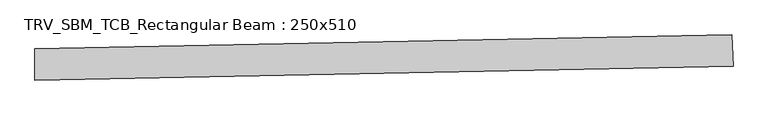
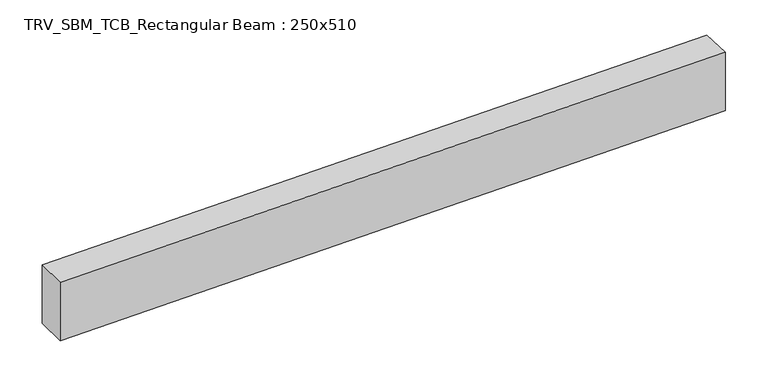
"""IFC4 building model written with IfcOpenShell, lengths in millimetres: beam geometry, TRV_SBM_TCB_Rectangular Beam : 250x510."""

from ifc_helpers import new_model, si_unit, point, frame, frame_2d, origin, place, context, project, spatial, polyline, circle_curve, trimmed, segment, composite_curve, outline, extrude, source, transform, mapped, element, save


def trv_sbm_tcb_rectangular_beam_250x510_b0245c91(model_context):
    return source(origin(), model_context, "Body", "SweptSolid", [
        extrude(outline(composite_curve([segment(polyline([(5519.7292669, 233.1466678), (5529.521882, -16.6614679)]), True, "CONTINUOUS"), segment(trimmed(circle_curve(frame_2d((0.0, 141040.607939)), 141165.607939), [point((5529.521882, -16.6614679))], [point((-12.7120362, -124.9994276))], False, "CARTESIAN"), True, "CONTINUOUS"), segment(polyline([(-12.7120362, -124.9994276), (-12.6895235, 125.0005713)]), True, "CONTINUOUS"), segment(trimmed(circle_curve(frame_2d((0.0, 141040.607939)), 140915.607939), [point((-12.6895235, 125.0005713))], [point((5519.7292669, 233.1466678))], True, "CARTESIAN"), True, "CONTINUOUS")], self_intersect=False)), frame((0.0, 0.0, -255.0), z_axis=(0.0, 0.0, 1.0), x_axis=(1.0, 0.0, 0.0)), (0.0, 0.0, 1.0), 510.0),
    ])


if __name__ == "__main__":
    model = new_model("IFC4")
    model_context = context("Model", 3, world=origin())
    ifc_project = project(units=[si_unit("LENGTHUNIT", "METRE", prefix="MILLI")], contexts=[model_context])
    site = spatial("IfcSite", under=ifc_project)
    building = spatial("IfcBuilding", under=site)
    placement = place(None, origin())
    trv_sbm_tcb_rectangular_beam_250x510_shape = trv_sbm_tcb_rectangular_beam_250x510_b0245c91(model_context)
    element("IfcBeam", 1, ObjectType="TRV_SBM_TCB_Rectangular Beam : 250x510", at=placement, inside=building, context=model_context, shape_type="MappedRepresentation", body=[
        mapped(trv_sbm_tcb_rectangular_beam_250x510_shape, transform((0.0, 0.0, 0.0), x_axis=(1.0, 0.0, 0.0), y_axis=(0.0, 1.0, 0.0), z_axis=(0.0, 0.0, 1.0))),
    ])
    save(model, "model.ifc")
